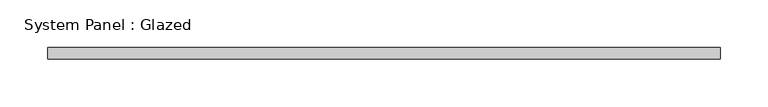
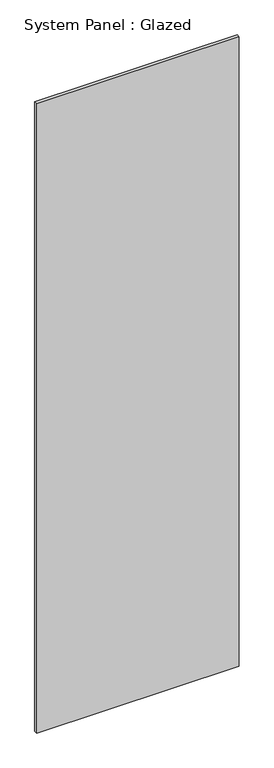
"""IFC4 building model written with IfcOpenShell, lengths in millimetres: plate geometry, System Panel : Glazed."""

from ifc_helpers import new_model, si_unit, origin, origin_with_axes, place, context, project, spatial, polyline, outline, extrude, source, transform, mapped, element, save


def system_panel_glazed_62ce8242(model_context):
    return source(origin(), model_context, "Body", "SweptSolid", [
        extrude(outline(polyline([(353.3333333, -6.0), (-353.3333333, -6.0), (-353.3333333, 6.0), (353.3333333, 6.0), (353.3333333, -6.0)])), origin_with_axes(), (0.0, 0.0, 1.0), 2320.0),
    ])


if __name__ == "__main__":
    model = new_model("IFC4")
    model_context = context("Model", 3, world=origin())
    ifc_project = project(units=[si_unit("LENGTHUNIT", "METRE", prefix="MILLI")], contexts=[model_context])
    site = spatial("IfcSite", under=ifc_project)
    building = spatial("IfcBuilding", under=site)
    placement = place(None, origin())
    system_panel_glazed_shape = system_panel_glazed_62ce8242(model_context)
    element("IfcPlate", 1, ObjectType="System Panel : Glazed", at=placement, inside=building, context=model_context, shape_type="MappedRepresentation", body=[
        mapped(system_panel_glazed_shape, transform((0.0, 0.0, 0.0), x_axis=(1.0, 0.0, 0.0), y_axis=(0.0, 1.0, 0.0), z_axis=(0.0, 0.0, 1.0))),
    ])
    save(model, "model.ifc")
